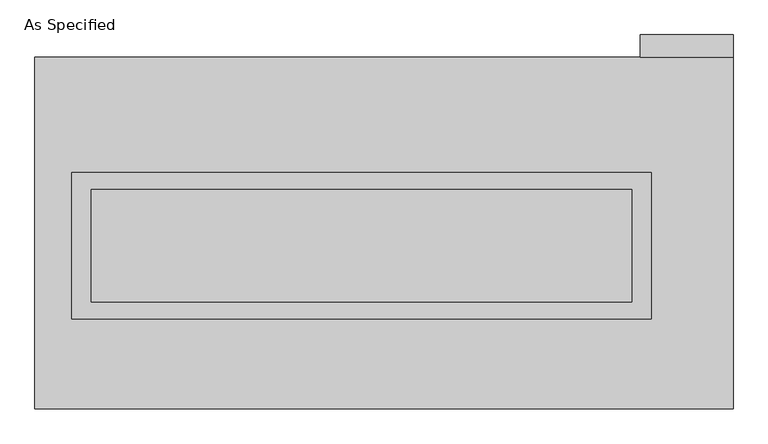
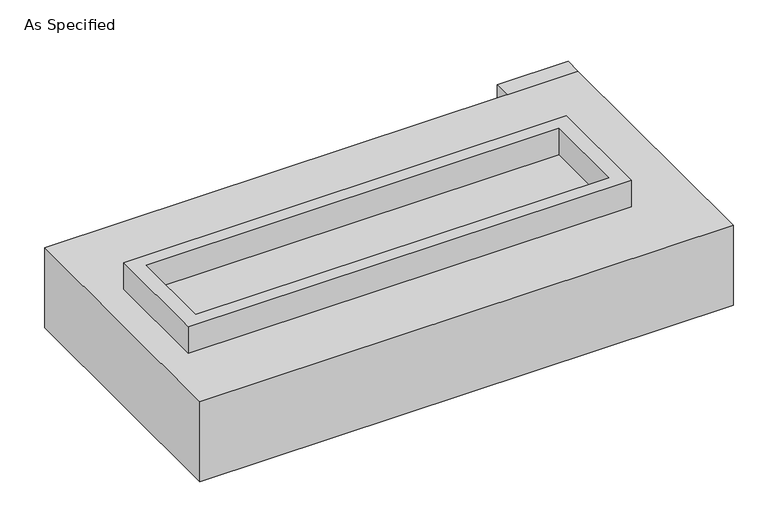
"""IFC4 building model written with IfcOpenShell, lengths in millimetres: proxy geometry, As Specified."""

from ifc_helpers import new_model, si_unit, frame, origin, place, context, project, spatial, polyline, outline, extrude, faceted_brep, source, transform, mapped, element, save


def as_specified_48d50ba1(model_context):
    return source(origin(), model_context, "Body", "SolidModel", [
        extrude(outline(polyline([(1308.1, 273.05), (1308.1, -387.35), (-1308.1, -387.35), (-1308.1, 273.05), (1308.1, 273.05)]), holes=[polyline([(1219.2, 196.85), (-1219.2, 196.85), (-1219.2, -311.15), (1219.2, -311.15), (1219.2, 196.85)])]), frame((0.0, 0.0, -25.4), z_axis=(0.0, 0.0, 1.0), x_axis=(1.0, 0.0, 0.0)), (0.0, 0.0, 1.0), 165.1),
        extrude(outline(polyline([(1257.3, 793.75), (1257.3, 895.35), (1676.4, 895.35), (1676.4, 793.75), (1257.3, 793.75)])), frame((0.0, 0.0, -523.875), z_axis=(0.0, 0.0, 1.0), x_axis=(1.0, 0.0, 0.0)), (0.0, 0.0, 1.0), 498.475),
        extrude(outline(polyline([(1219.2, 196.85), (1219.2, -311.15), (-1219.2, -311.15), (-1219.2, 196.85), (1219.2, 196.85)])), frame((0.0, 0.0, -30.3609375), z_axis=(0.0, 0.0, 1.0), x_axis=(1.0, 0.0, 0.0)), (0.0, 0.0, 1.0), 4.9609375),
        faceted_brep([(1676.4, -793.75, -523.875), (-1473.2, -793.75, -523.875), (-1473.2, 793.75, -523.875), (1676.4, 793.75, -523.875), (1676.4, 793.75, -25.4), (-1473.2, 793.75, -25.4), (-1473.2, -793.75, -25.4), (1676.4, -793.75, -25.4), (1308.1, 273.05, -25.4), (1308.1, -387.35, -25.4), (-1308.1, -387.35, -25.4), (-1308.1, 273.05, -25.4), (1308.1, 273.05, -498.475), (-1308.1, 273.05, -498.475), (-1308.1, -387.35, -498.475), (1308.1, -387.35, -498.475)], [[[0, 1, 2, 3]], [[4, 5, 6, 7], [8, 9, 10, 11]], [[3, 2, 5, 4]], [[2, 1, 6, 5]], [[0, 3, 4, 7]], [[12, 13, 14, 15]], [[14, 13, 11, 10]], [[13, 12, 8, 11]], [[12, 15, 9, 8]], [[10, 9, 15, 14]], [[1, 0, 7, 6]]]),
    ])


if __name__ == "__main__":
    model = new_model("IFC4")
    model_context = context("Model", 3, world=origin())
    ifc_project = project(units=[si_unit("LENGTHUNIT", "METRE", prefix="MILLI")], contexts=[model_context])
    site = spatial("IfcSite", under=ifc_project)
    building = spatial("IfcBuilding", under=site)
    placement = place(None, origin())
    as_specified_shape = as_specified_48d50ba1(model_context)
    element("IfcBuildingElementProxy", 1, Name="As Specified", ObjectType="As Specified", at=placement, inside=building, context=model_context, shape_type="MappedRepresentation", body=[
        mapped(as_specified_shape, transform((0.0, 0.0, 0.0), x_axis=(1.0, 0.0, 0.0), y_axis=(0.0, 1.0, 0.0), z_axis=(0.0, 0.0, 1.0))),
    ])
    save(model, "model.ifc")
